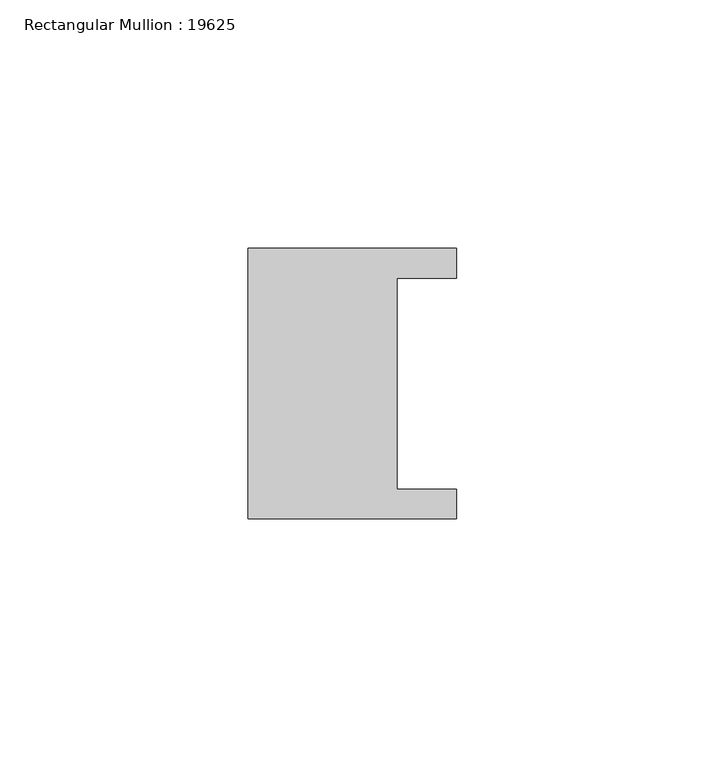
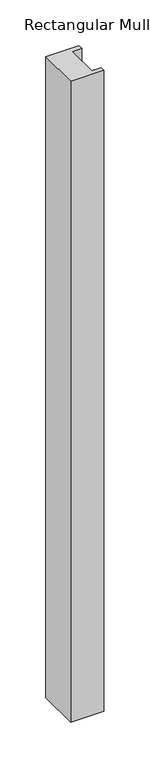
"""IFC4 building model written with IfcOpenShell, lengths in millimetres: member geometry, Rectangular Mullion : 19625."""

from ifc_helpers import new_model, si_unit, frame, origin, place, context, project, spatial, polyline, outline, extrude, source, transform, mapped, element, save


def rectangular_mullion_19625_47ee46da(model_context):
    return source(origin(), model_context, "Body", "SweptSolid", [
        extrude(outline(polyline([(-42.0, 27.25), (0.0, 27.25), (0.0, 21.25), (-12.0, 21.25), (-12.0, -21.25), (0.0, -21.25), (0.0, -27.25), (-42.0, -27.25), (-42.0, 27.25)])), frame((0.0, 0.0, -855.75), z_axis=(0.0, 0.0, 1.0), x_axis=(1.0, 0.0, 0.0)), (0.0, 0.0, 1.0), 855.75),
    ])


if __name__ == "__main__":
    model = new_model("IFC4")
    model_context = context("Model", 3, world=origin())
    ifc_project = project(units=[si_unit("LENGTHUNIT", "METRE", prefix="MILLI")], contexts=[model_context])
    site = spatial("IfcSite", under=ifc_project)
    building = spatial("IfcBuilding", under=site)
    placement = place(None, origin())
    rectangular_mullion_19625_shape = rectangular_mullion_19625_47ee46da(model_context)
    element("IfcMember", 1, ObjectType="Rectangular Mullion : 19625", at=placement, inside=building, context=model_context, shape_type="MappedRepresentation", body=[
        mapped(rectangular_mullion_19625_shape, transform((0.0, 0.0, 0.0), x_axis=(1.0, 0.0, 0.0), y_axis=(0.0, 1.0, 0.0), z_axis=(0.0, 0.0, 1.0))),
    ])
    save(model, "model.ifc")
